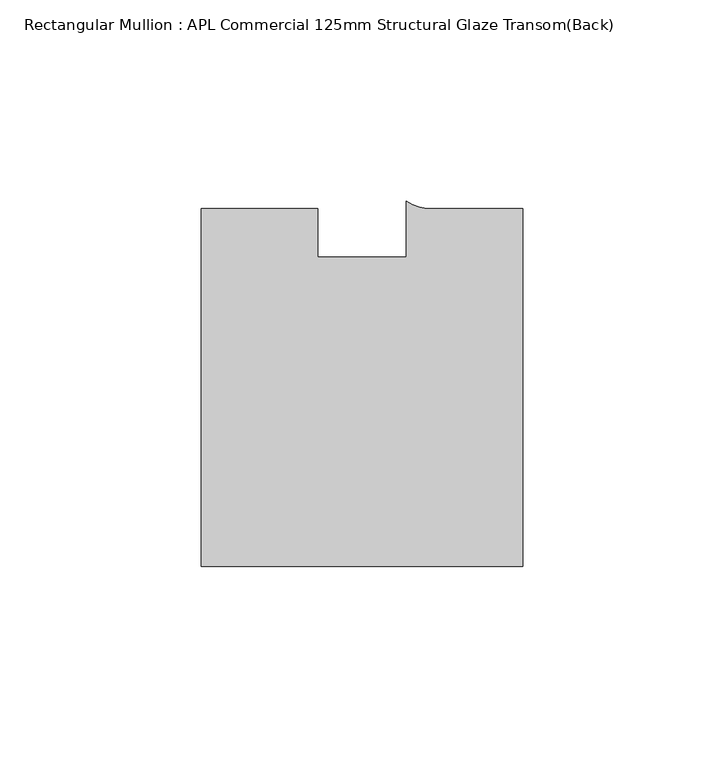
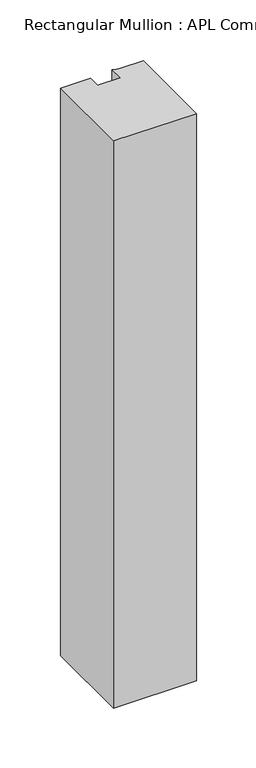
"""IFC4 building model written with IfcOpenShell, lengths in millimetres: member geometry, Rectangular Mullion : APL Commercial 125mm Structural Glaze Transom(Back)."""

from ifc_helpers import new_model, si_unit, point, frame, frame_2d, origin, place, context, project, spatial, polyline, circle_curve, trimmed, segment, composite_curve, outline, extrude, source, transform, mapped, element, save


def rectangular_mullion_apl_commercial_125mm_structural_glaze_88bf3693(model_context):
    return source(origin(), model_context, "Body", "SweptSolid", [
        extrude(outline(composite_curve([segment(polyline([(40.0, -104.0), (-40.0, -104.0), (-40.0, -15.0000829), (-11.0000151, -15.0000829), (-11.0000151, -27.0), (11.0000151, -27.0), (11.0000151, -13.0673455)]), True, "CONTINUOUS"), segment(trimmed(circle_curve(frame_2d((17.1097719, -4.581653)), 10.4563907), [point((11.0000151, -13.0673455))], [point((17.9999542, -15.0000829))], True, "CARTESIAN"), True, "CONTINUOUS"), segment(polyline([(17.9999542, -15.0000829), (40.0, -15.0000829), (40.0, -104.0)]), True, "CONTINUOUS")], self_intersect=False)), frame((0.0, 0.0, -580.3748088), z_axis=(0.0, 0.0, 1.0), x_axis=(1.0, 0.0, 0.0)), (0.0, 0.0, 1.0), 580.3748088),
    ])


if __name__ == "__main__":
    model = new_model("IFC4")
    model_context = context("Model", 3, world=origin())
    ifc_project = project(units=[si_unit("LENGTHUNIT", "METRE", prefix="MILLI")], contexts=[model_context])
    site = spatial("IfcSite", under=ifc_project)
    building = spatial("IfcBuilding", under=site)
    placement = place(None, origin())
    rectangular_mullion_apl_commercial_125mm_structural_glaze_shape = rectangular_mullion_apl_commercial_125mm_structural_glaze_88bf3693(model_context)
    element("IfcMember", 1, ObjectType="Rectangular Mullion : APL Commercial 125mm Structural Glaze Transom(Back)", at=placement, inside=building, context=model_context, shape_type="MappedRepresentation", body=[
        mapped(rectangular_mullion_apl_commercial_125mm_structural_glaze_shape, transform((0.0, 0.0, 0.0), x_axis=(1.0, 0.0, 0.0), y_axis=(0.0, 1.0, 0.0), z_axis=(0.0, 0.0, 1.0))),
    ])
    save(model, "model.ifc")
